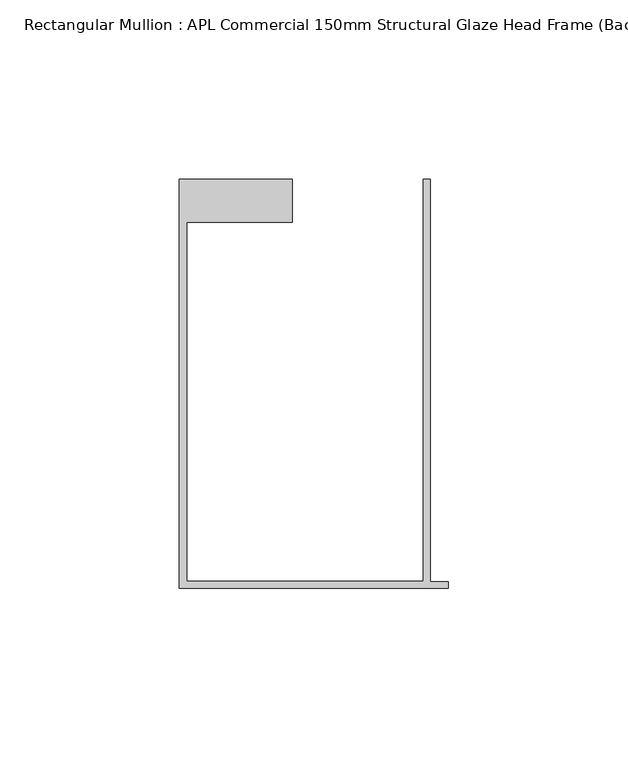
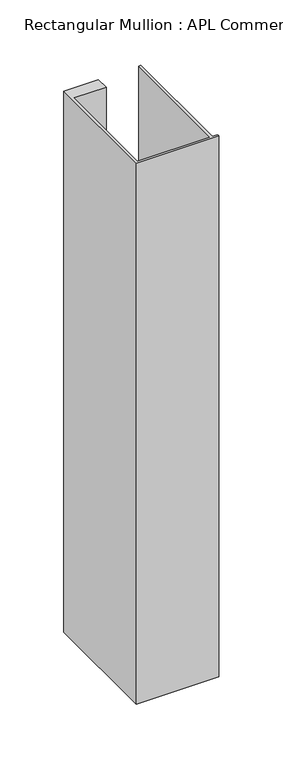
"""IFC4 building model written with IfcOpenShell, lengths in millimetres: member geometry, Rectangular Mullion : APL Commercial 150mm Structural Glaze Head Frame (Back)."""

from ifc_helpers import new_model, si_unit, frame, origin, place, context, project, spatial, polyline, outline, extrude, source, transform, mapped, element, save


def rectangular_mullion_apl_commercial_150mm_structural_glaze_4cdd171d(model_context):
    return source(origin(), model_context, "Body", "SweptSolid", [
        extrude(outline(polyline([(-75.0, -128.9993063), (-75.0, -14.9998342), (-43.5000151, -14.9998342), (-43.5000151, -26.9997514), (-73.0, -26.9997514), (-73.0, -126.9993063), (-7.0, -126.9993063), (-7.0, -14.9998342), (-5.0, -14.9998342), (-5.0, -127.1993063), (0.0, -127.1993063), (0.0, -128.9993063), (-75.0, -128.9993063)])), frame((0.0, 0.0, -518.8791392), z_axis=(0.0, 0.0, 1.0), x_axis=(1.0, 0.0, 0.0)), (0.0, 0.0, 1.0), 518.8791392),
    ])


if __name__ == "__main__":
    model = new_model("IFC4")
    model_context = context("Model", 3, world=origin())
    ifc_project = project(units=[si_unit("LENGTHUNIT", "METRE", prefix="MILLI")], contexts=[model_context])
    site = spatial("IfcSite", under=ifc_project)
    building = spatial("IfcBuilding", under=site)
    placement = place(None, origin())
    rectangular_mullion_apl_commercial_150mm_structural_glaze_shape = rectangular_mullion_apl_commercial_150mm_structural_glaze_4cdd171d(model_context)
    element("IfcMember", 1, ObjectType="Rectangular Mullion : APL Commercial 150mm Structural Glaze Head Frame (Back)", at=placement, inside=building, context=model_context, shape_type="MappedRepresentation", body=[
        mapped(rectangular_mullion_apl_commercial_150mm_structural_glaze_shape, transform((0.0, 0.0, 0.0), x_axis=(1.0, 0.0, 0.0), y_axis=(0.0, 1.0, 0.0), z_axis=(0.0, 0.0, 1.0))),
    ])
    save(model, "model.ifc")
